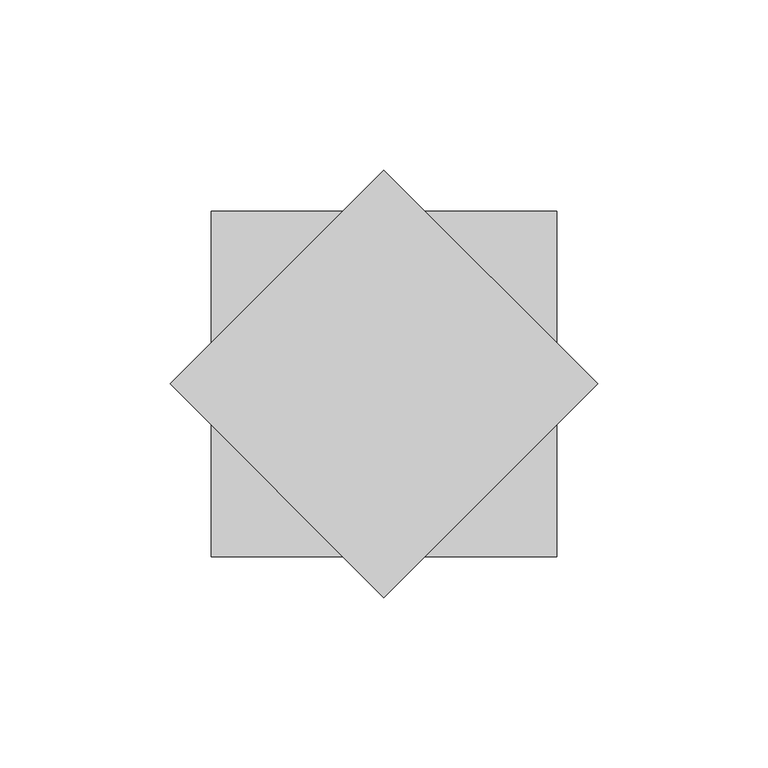
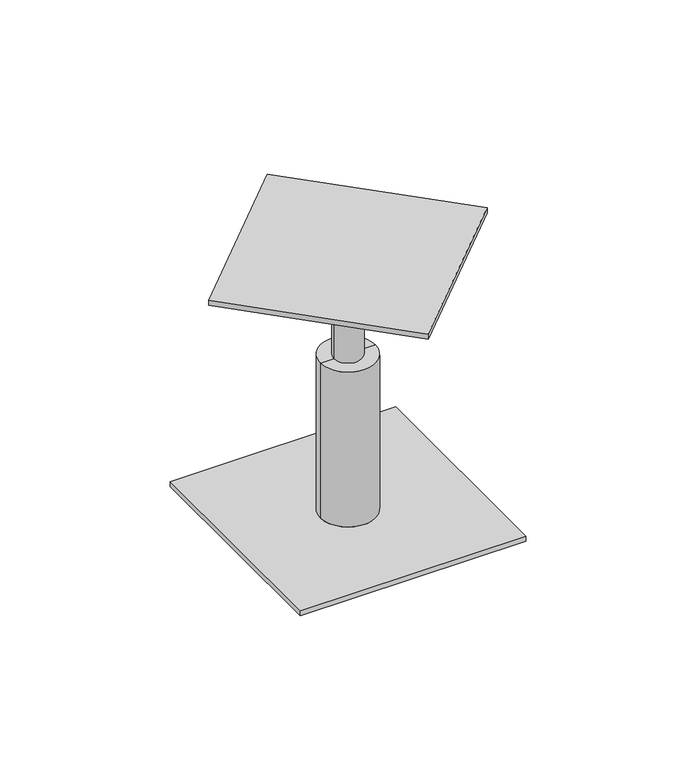
"""IFC4 building model written with IfcOpenShell, lengths in millimetres: proxy geometry."""

from ifc_helpers import new_model, si_unit, frame, origin, place, context, project, spatial, circle_curve, source, transform, mapped, element, save
from ifc_brep_helpers import plane_surface, cylinder_surface, advanced_brep


def generic_models_315c9480(model_context):
    return source(origin(), model_context, "Body", "AdvancedBrep", [
        advanced_brep(
        [(-50.8, -50.8, -150.01875), (50.8, -50.8, -150.01875), (50.8, 50.8, -150.01875), (-50.8, 50.8, -150.01875), (-12.3825, 0.0, -150.01875), (12.3825, 0.0, -150.01875), (-50.8, -50.8, -152.4), (-50.8, 50.8, -152.4), (50.8, 50.8, -152.4), (50.8, -50.8, -152.4), (-12.3825, 0.0, -76.2), (12.3825, 0.0, -76.2), (-6.35, 0.0, -76.2), (6.35, 0.0, -76.2), (-6.35, 0.0, -30.95625), (6.35, 0.0, -30.95625), (-62.8617928, 0.0, -30.95625), (0.0, 62.8617928, -30.95625), (62.8617928, 0.0, -30.95625), (0.0, -62.8617928, -30.95625), (-62.8617928, 0.0, -28.575), (0.0, -62.8617928, -28.575), (62.8617928, 0.0, -28.575), (0.0, 62.8617928, -28.575)],
        [
            (0, 1),
            (1, 2),
            (2, 3),
            (3, 0),
            (4, 5, circle_curve(frame((0.0, 0.0, -150.01875), z_axis=(0.0, 0.0, -1.0), x_axis=(1.0, 0.0, 0.0)), 12.3825)),
            (5, 4, circle_curve(frame((0.0, 0.0, -150.01875), z_axis=(0.0, 0.0, -1.0), x_axis=(1.0, 0.0, 0.0)), 12.3825)),
            (6, 7),
            (7, 8),
            (8, 9),
            (9, 6),
            (0, 6),
            (9, 1),
            (8, 2),
            (7, 3),
            (10, 11, circle_curve(frame((0.0, 0.0, -76.2), z_axis=(0.0, 0.0, -1.0), x_axis=(1.0, 0.0, 0.0)), 12.3825)),
            (11, 5),
            (4, 10),
            (11, 10, circle_curve(frame((0.0, 0.0, -76.2), z_axis=(0.0, 0.0, -1.0), x_axis=(1.0, 0.0, 0.0)), 12.3825)),
            (10, 12),
            (12, 13, circle_curve(frame((0.0, 0.0, -76.2), z_axis=(0.0, 0.0, -1.0), x_axis=(1.0, 0.0, 0.0)), 6.35)),
            (13, 11),
            (13, 12, circle_curve(frame((0.0, 0.0, -76.2), z_axis=(0.0, 0.0, -1.0), x_axis=(1.0, 0.0, 0.0)), 6.35)),
            (12, 14),
            (14, 15, circle_curve(frame((0.0, 0.0, -30.95625), z_axis=(0.0, 0.0, -1.0), x_axis=(1.0, 0.0, 0.0)), 6.35)),
            (15, 13),
            (15, 14, circle_curve(frame((0.0, 0.0, -30.95625), z_axis=(0.0, 0.0, -1.0), x_axis=(1.0, 0.0, 0.0)), 6.35)),
            (16, 17),
            (17, 18),
            (18, 19),
            (19, 16),
            (20, 21),
            (21, 22),
            (22, 23),
            (23, 20),
            (19, 21),
            (20, 16),
            (18, 22),
            (17, 23),
        ],
        [
            plane_surface(frame((50.8, -50.8, -150.01875), z_axis=(0.0, 0.0, 1.0), x_axis=(1.0, 0.0, 0.0))),
            plane_surface(frame((50.8, -50.8, -152.4), z_axis=(0.0, 0.0, -1.0), x_axis=(-1.0, 0.0, 0.0))),
            plane_surface(frame((-50.8, -50.8, -150.01875), z_axis=(0.0, -1.0, 0.0), x_axis=(0.0, 0.0, -1.0))),
            plane_surface(frame((50.8, -50.8, -150.01875), z_axis=(1.0, 0.0, 0.0), x_axis=(0.0, 0.0, -1.0))),
            plane_surface(frame((50.8, 50.8, -150.01875), z_axis=(0.0, 1.0, 0.0), x_axis=(0.0, 0.0, -1.0))),
            plane_surface(frame((-50.8, 50.8, -150.01875), z_axis=(-1.0, 0.0, 0.0), x_axis=(0.0, 0.0, -1.0))),
            cylinder_surface(frame((0.0, 0.0, 38.1), z_axis=(0.0, 0.0, 1.0), x_axis=(1.0, 0.0, 0.0)), 12.3825),
            plane_surface(frame((0.0, 0.0, -76.2), z_axis=(0.0, 0.0, 1.0), x_axis=(1.0, 0.0, 0.0))),
            cylinder_surface(frame((0.0, 0.0, 38.1), z_axis=(0.0, 0.0, 1.0), x_axis=(1.0, 0.0, 0.0)), 6.35),
            plane_surface(frame((-62.8617928, 0.0, -30.95625), z_axis=(0.0, 0.0, -1.0000000000000002), x_axis=(-0.7071067811858168, 0.7071067811872783, 0.0))),
            plane_surface(frame((-62.8617928, 0.0, -28.575), z_axis=(0.0, 0.0, 1.0000000000000002), x_axis=(0.7071067811858168, -0.7071067811872783, 0.0))),
            plane_surface(frame((-62.8617928, 0.0, -28.575), z_axis=(-0.7071067811872783, -0.7071067811858168, 0.0), x_axis=(0.0, 0.0, -1.0))),
            plane_surface(frame((0.0, -62.8617928, -28.575), z_axis=(0.7071067811863134, -0.7071067811867816, 0.0), x_axis=(0.0, 0.0, -1.0))),
            plane_surface(frame((62.8617928, 0.0, -28.575), z_axis=(0.7071067811858158, 0.7071067811872793, 0.0), x_axis=(0.0, 0.0, -1.0))),
            plane_surface(frame((0.0, 62.8617928, -28.575), z_axis=(-0.7071067811867853, 0.7071067811863098, 0.0), x_axis=(0.0, 0.0, -1.0))),
        ],
        [
            (0, [[1, 2, 3, 4], [5, 6]]),
            (1, [[7, 8, 9, 10]]),
            (2, [[-1, 11, -10, 12]]),
            (3, [[-2, -12, -9, 13]]),
            (4, [[-3, -13, -8, 14]]),
            (5, [[-4, -14, -7, -11]]),
            (6, [[15, 16, -5, 17]]),
            (6, [[18, -17, -6, -16]]),
            (7, [[-15, 19, 20, 21]]),
            (7, [[-18, -21, 22, -19]]),
            (8, [[-20, 23, 24, 25]]),
            (8, [[-22, -25, 26, -23]]),
            (9, [[27, 28, 29, 30], [-24, -26]]),
            (10, [[31, 32, 33, 34]]),
            (11, [[-30, 35, -31, 36]]),
            (12, [[-29, 37, -32, -35]]),
            (13, [[-28, 38, -33, -37]]),
            (14, [[-27, -36, -34, -38]]),
        ],
    ),
    ])


if __name__ == "__main__":
    model = new_model("IFC4")
    model_context = context("Model", 3, world=origin())
    ifc_project = project(units=[si_unit("LENGTHUNIT", "METRE", prefix="MILLI")], contexts=[model_context])
    site = spatial("IfcSite", under=ifc_project)
    building = spatial("IfcBuilding", under=site)
    placement = place(None, origin())
    generic_models_shape = generic_models_315c9480(model_context)
    element("IfcBuildingElementProxy", 1, Name="Generic Models", at=placement, inside=building, context=model_context, shape_type="MappedRepresentation", body=[
        mapped(generic_models_shape, transform((0.0, 0.0, 0.0), x_axis=(1.0, 0.0, 0.0), y_axis=(0.0, 1.0, 0.0), z_axis=(0.0, 0.0, 1.0))),
    ])
    save(model, "model.ifc")
